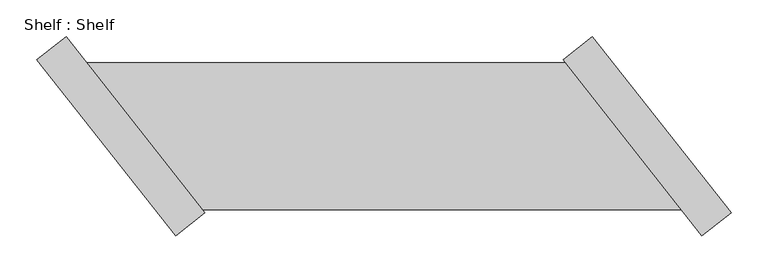
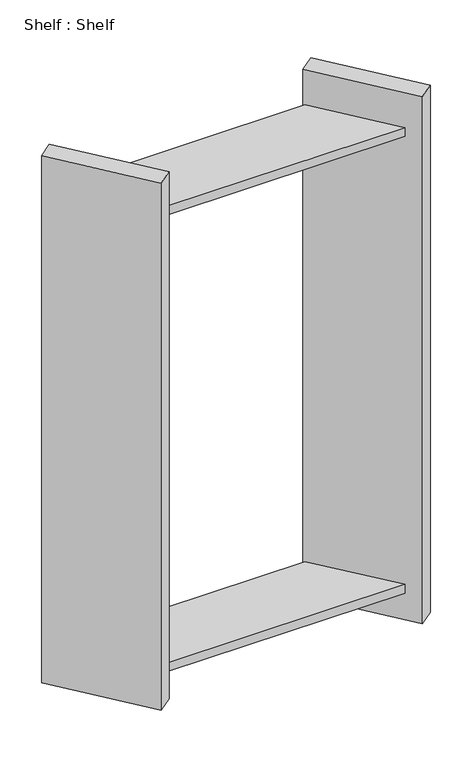
"""IFC4 building model written with IfcOpenShell, lengths in millimetres: proxy geometry, Shelf : Shelf."""

from ifc_helpers import new_model, si_unit, origin, place, context, project, spatial, faceted_brep, source, transform, mapped, element, save


def shelf_shelf_32b00e63(model_context):
    return source(origin(), model_context, "Body", "Brep", [
        faceted_brep([(-506.8634853, 99.7022919, 1422.4), (-506.8634853, 99.7022919, 1397.0), (-1158.2516404, 99.7022919, 1397.0), (-1158.2516404, 99.7022919, 1422.4), (-349.5300434, -99.7022919, 1397.0), (-1000.9181985, -99.7022919, 1397.0), (-349.5300434, -99.7022919, 1422.4), (-1000.9181985, -99.7022919, 1422.4), (-470.3020497, 135.3760945, 0.0), (-281.5019194, -103.9094061, 0.0), (-321.3828361, -135.3760945, 0.0), (-510.1829664, 103.9094061, 0.0), (-281.5019194, -103.9094061, 1524.0), (-321.3828361, -135.3760945, 1524.0), (-470.3020497, 135.3760945, 1524.0), (-510.1829664, 103.9094061, 1524.0), (-349.5300434, -99.7022919, 76.2), (-506.8634853, 99.7022919, 76.2), (-506.8634853, 99.7022919, 101.6), (-349.5300434, -99.7022919, 101.6), (-1000.9181985, -99.7022919, 76.2), (-1158.2516404, 99.7022919, 76.2), (-1000.9181985, -99.7022919, 101.6), (-1158.2516404, 99.7022919, 101.6), (-1037.4796341, -135.3760945, 0.0), (-1226.2797644, 103.9094061, 0.0), (-1186.3988476, 135.3760945, 0.0), (-997.5987173, -103.9094061, 0.0), (-997.5987173, -103.9094061, 1524.0), (-1037.4796341, -135.3760945, 1524.0), (-1186.3988476, 135.3760945, 1524.0), (-1226.2797644, 103.9094061, 1524.0)], [[[0, 1, 2, 3]], [[1, 4, 5, 2]], [[4, 6, 7, 5]], [[6, 0, 3, 7]], [[8, 9, 10, 11]], [[10, 9, 12, 13]], [[13, 12, 14, 15]], [[8, 11, 15, 14]], [[11, 10, 13, 15], [1, 0, 6, 4], [16, 17, 18, 19]], [[9, 8, 14, 12]], [[17, 16, 20, 21]], [[16, 19, 22, 20]], [[19, 18, 23, 22]], [[18, 17, 21, 23]], [[24, 25, 26, 27]], [[24, 27, 28, 29]], [[29, 28, 30, 31]], [[26, 25, 31, 30]], [[27, 26, 30, 28], [3, 2, 5, 7], [21, 20, 22, 23]], [[25, 24, 29, 31]]]),
    ])


if __name__ == "__main__":
    model = new_model("IFC4")
    model_context = context("Model", 3, world=origin())
    ifc_project = project(units=[si_unit("LENGTHUNIT", "METRE", prefix="MILLI")], contexts=[model_context])
    site = spatial("IfcSite", under=ifc_project)
    building = spatial("IfcBuilding", under=site)
    placement = place(None, origin())
    shelf_shelf_shape = shelf_shelf_32b00e63(model_context)
    element("IfcBuildingElementProxy", 1, Name="Shelf : Shelf", ObjectType="Shelf : Shelf", at=placement, inside=building, context=model_context, shape_type="MappedRepresentation", body=[
        mapped(shelf_shelf_shape, transform((0.0, 0.0, 0.0), x_axis=(1.0, 0.0, 0.0), y_axis=(0.0, 1.0, 0.0), z_axis=(0.0, 0.0, 1.0))),
    ])
    save(model, "model.ifc")
